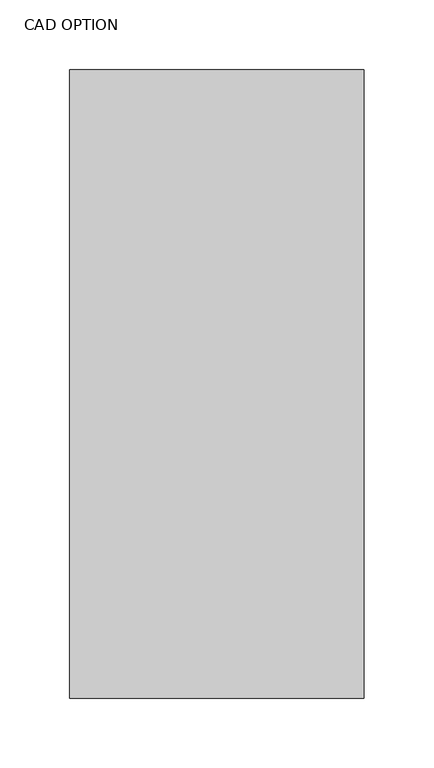
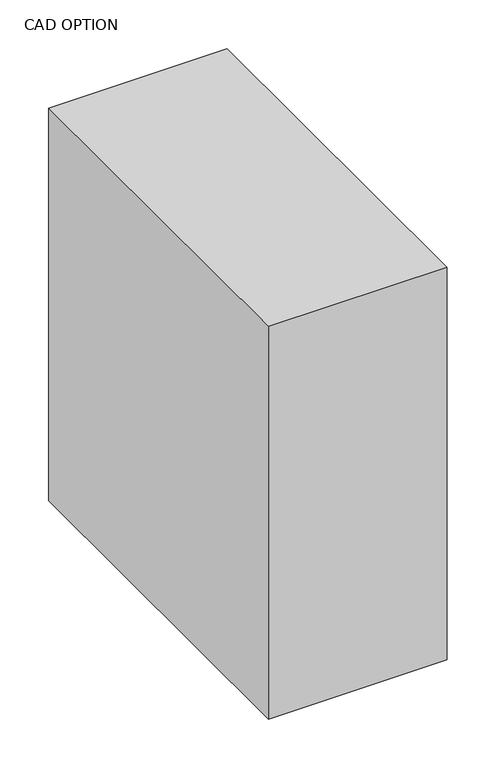
"""IFC4 building model written with IfcOpenShell, lengths in millimetres: proxy geometry, CAD OPTION."""

from ifc_helpers import new_model, si_unit, origin, origin_with_axes, place, context, project, spatial, polyline, outline, extrude, source, transform, mapped, element, save


def cad_option_18862d57(model_context):
    return source(origin(), model_context, "Body", "SweptSolid", [
        extrude(outline(polyline([(140.97, 0.0), (140.97, -449.58), (-69.85, -449.58), (-69.85, 0.0), (140.97, 0.0)])), origin_with_axes(), (0.0, 0.0, 1.0), 490.22),
    ])


if __name__ == "__main__":
    model = new_model("IFC4")
    model_context = context("Model", 3, world=origin())
    ifc_project = project(units=[si_unit("LENGTHUNIT", "METRE", prefix="MILLI")], contexts=[model_context])
    site = spatial("IfcSite", under=ifc_project)
    building = spatial("IfcBuilding", under=site)
    placement = place(None, origin())
    cad_option_shape = cad_option_18862d57(model_context)
    element("IfcBuildingElementProxy", 1, Name="CAD OPTION", ObjectType="CAD OPTION", at=placement, inside=building, context=model_context, shape_type="MappedRepresentation", body=[
        mapped(cad_option_shape, transform((0.0, 0.0, 0.0), x_axis=(1.0, 0.0, 0.0), y_axis=(0.0, 1.0, 0.0), z_axis=(0.0, 0.0, 1.0))),
    ])
    save(model, "model.ifc")
